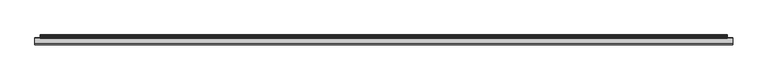
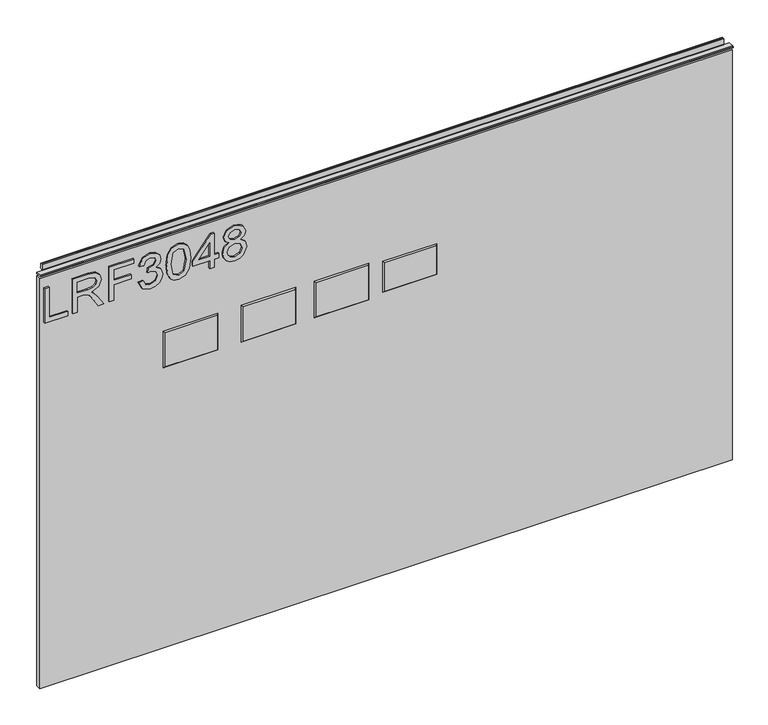
"""IFC4 building model written with IfcOpenShell, lengths in millimetres: furniture geometry."""

from ifc_helpers import new_model, si_unit, frame, origin, place, context, project, spatial, polyline, outline, extrude, faceted_brep, source, transform, mapped, element, save


def furniture_db22cfe4(model_context):
    return source(origin(), model_context, "Body", "SolidModel", [
        extrude(outline(polyline([(773.6078, -291.2164221), (773.6078, -251.347824), (781.5815196, -251.347824), (781.5815196, -283.2427025), (837.3975569, -283.2427025), (837.3975569, -291.2164221), (773.6078, -291.2164221)])), frame((0.0, -5.5495814, 0.0), z_axis=(0.0, 1.0, 0.0), x_axis=(0.0, 0.0, 1.0)), (0.0, 0.0, 1.0), 2.38125),
        extrude(outline(polyline([(773.6078, -242.3773894), (773.6078, -234.4036698), (801.5158187, -234.4036698), (801.5158187, -224.7791411), (801.2354926, -220.1537607), (799.7170596, -216.3615718), (795.58225, -212.1488938), (786.8298468, -206.1530304), (773.6078, -197.8522637), (773.6078, -188.5859294), (790.894575, -199.2227467), (799.1018996, -205.6858203), (802.5125336, -210.2177586), (808.4461023, -196.8633356), (819.9394716, -192.5416418), (829.5873609, -195.1502317), (835.6766663, -202.1272364), (837.3975569, -214.8898599), (837.3975569, -242.3773894), (773.6078, -242.3773894)]), holes=[polyline([(809.4895383, -234.4036698), (829.4238373, -234.4036698), (829.4238373, -214.5472391), (826.6672975, -203.8870612), (819.6435719, -200.5153614), (814.2317211, -202.2829731), (810.6186294, -207.4534319), (809.4895383, -216.5562427), (809.4895383, -234.4036698)])]), frame((0.0, -5.5495814, 0.0), z_axis=(0.0, 1.0, 0.0), x_axis=(0.0, 0.0, 1.0)), (0.0, 0.0, 1.0), 2.38125),
        extrude(outline(polyline([(773.6078, -178.5876325), (773.6078, -170.6139129), (802.5125336, -170.6139129), (802.5125336, -140.7124643), (810.4862532, -140.7124643), (810.4862532, -170.6139129), (829.4238373, -170.6139129), (829.4238373, -135.7288895), (837.3975569, -135.7288895), (837.3975569, -178.5876325), (773.6078, -178.5876325)])), frame((0.0, -5.5495814, 0.0), z_axis=(0.0, 1.0, 0.0), x_axis=(0.0, 0.0, 1.0)), (0.0, 0.0, 1.0), 2.38125),
        extrude(outline(polyline([(790.5519542, -127.7551699), (777.6102335, -121.4166858), (772.611085, -107.4315291), (774.0750101, -98.9088376), (778.4667854, -91.998021), (784.9610063, -87.4193617), (792.7322681, -85.8931419), (803.1043331, -88.9455815), (808.555118, -97.63569), (813.8345925, -91.0947481), (821.1853653, -88.8832868), (829.2291664, -91.2115506), (835.2094562, -97.9393765), (837.3975569, -107.5561185), (832.9590607, -120.2330868), (820.4534028, -126.758455), (819.4566878, -118.7847354), (826.9320499, -114.8757439), (829.4238373, -107.2757924), (826.9554105, -99.7692829), (820.7181552, -96.8570064), (813.6788558, -100.8750136), (811.4829682, -111.2003575), (803.5092486, -112.0880568), (804.3813742, -106.4971088), (801.11869, -97.4332322), (792.8724312, -93.8668615), (784.120028, -97.4643796), (780.5848047, -107.151203), (783.1544604, -115.3818882), (791.5486691, -119.7814503), (790.5519542, -127.7551699)])), frame((0.0, -5.5495814, 0.0), z_axis=(0.0, 1.0, 0.0), x_axis=(0.0, 0.0, 1.0)), (0.0, 0.0, 1.0), 2.38125),
        extrude(outline(polyline([(804.9887473, -78.9161373), (789.4734775, -77.3276228), (778.6848168, -72.5620794), (774.129518, -66.2703163), (772.611085, -57.9851233), (776.1073742, -46.3126568), (786.7130443, -39.3745863), (804.9887473, -37.0541093), (819.9784058, -38.5024607), (829.4160505, -42.2401418), (835.3418324, -48.6720679), (837.3975569, -57.9851233), (833.9246283, -69.6108688), (823.3423188, -76.5722998), (804.9887473, -78.9161373)]), holes=[polyline([(805.004321, -70.9424176), (825.1566514, -67.0801472), (829.4238373, -58.0785653), (824.5804256, -48.6409206), (805.004321, -45.0278289), (785.2179718, -48.76551), (780.5848047, -57.9851233), (785.2023982, -67.2047366), (805.004321, -70.9424176)])]), frame((0.0, -5.5495814, 0.0), z_axis=(0.0, 1.0, 0.0), x_axis=(0.0, 0.0, 1.0)), (0.0, 0.0, 1.0), 2.38125),
        extrude(outline(polyline([(773.6078, -4.1625158), (773.6078, 3.8112038), (788.5585243, 3.8112038), (788.5585243, 11.7849234), (796.5322439, 11.7849234), (796.5322439, 3.8112038), (836.400842, 3.8112038), (836.400842, -2.1690859), (796.5322439, -33.0672495), (788.5585243, -33.0672495), (788.5585243, -4.1625158), (773.6078, -4.1625158)]), holes=[polyline([(796.5322439, -4.1625158), (796.5322439, -23.2558366), (821.1697916, -4.1625158), (796.5322439, -4.1625158)])]), frame((0.0, -5.5495814, 0.0), z_axis=(0.0, 1.0, 0.0), x_axis=(0.0, 0.0, 1.0)), (0.0, 0.0, 1.0), 2.38125),
        extrude(outline(polyline([(808.7420021, 30.3798867), (802.9485964, 21.7832203), (792.3896474, 18.7619281), (784.6320125, 20.2024926), (778.2721145, 24.5241864), (774.0263424, 31.1975045), (772.611085, 39.6929421), (774.0205023, 48.1883797), (778.248754, 54.8616977), (792.171616, 60.6239561), (802.4891731, 57.7194664), (808.7420021, 49.2396025), (813.671069, 56.3022623), (821.1853653, 58.6305261), (832.6787346, 53.3977726), (837.3975569, 39.5839264), (832.7877503, 25.8946694), (821.4033967, 20.755358), (813.6944295, 23.1147691), (808.7420021, 30.3798867)]), holes=[polyline([(792.6699735, 26.7356477), (801.1264769, 30.1073475), (804.5059635, 39.4904843), (801.0797559, 49.1461604), (792.4207947, 52.6502364), (783.9253571, 49.2551761), (780.5848047, 39.7552367), (782.1733191, 32.7782321), (786.6663232, 28.0671966), (792.6699735, 26.7356477)]), polyline([(821.1697916, 28.7290776), (826.9943446, 31.6024199), (829.4238373, 39.6929421), (826.9398368, 47.7601037), (820.8115972, 50.6568065), (814.8936022, 47.8535457), (812.4796831, 39.7863841), (814.9091758, 31.5556989), (821.1697916, 28.7290776)])]), frame((0.0, -5.5495814, 0.0), z_axis=(0.0, 1.0, 0.0), x_axis=(0.0, 0.0, 1.0)), (0.0, 0.0, 1.0), 2.38125),
        faceted_brep([(390.652, -5.2069939, 677.1132), (300.99, -5.2069939, 677.1132), (300.99, -5.2069939, 625.0432), (390.652, -5.2069939, 625.0432), (392.938, -3.1749939, 679.3992), (392.938, -3.1749939, 622.7572), (298.704, -3.1749939, 622.7572), (298.704, -3.1749939, 679.3992)], [[[0, 1, 2, 3]], [[4, 5, 6, 7]], [[4, 7, 1, 0]], [[7, 6, 2, 1]], [[6, 5, 3, 2]], [[5, 4, 0, 3]]]),
        faceted_brep([(272.4023, -5.2069939, 682.5742), (181.7243, -5.2069939, 682.5742), (181.7243, -5.2069939, 619.5822), (272.4023, -5.2069939, 619.5822), (274.6883, -3.1749939, 684.8602), (274.6883, -3.1749939, 617.2962), (179.4383, -3.1749939, 617.2962), (179.4383, -3.1749939, 684.8602)], [[[0, 1, 2, 3]], [[4, 5, 6, 7]], [[4, 7, 1, 0]], [[7, 6, 2, 1]], [[6, 5, 3, 2]], [[5, 4, 0, 3]]]),
        faceted_brep([(145.4023, -5.2069939, 682.5742), (54.7243, -5.2069939, 682.5742), (54.7243, -5.2069939, 619.5822), (145.4023, -5.2069939, 619.5822), (147.6883, -3.1749939, 684.8602), (147.6883, -3.1749939, 617.2962), (52.4383, -3.1749939, 617.2962), (52.4383, -3.1749939, 684.8602)], [[[0, 1, 2, 3]], [[4, 5, 6, 7]], [[4, 7, 1, 0]], [[7, 6, 2, 1]], [[6, 5, 3, 2]], [[5, 4, 0, 3]]]),
        faceted_brep([(9.6647, -5.2069939, 682.5742), (-81.0133, -5.2069939, 682.5742), (-81.0133, -5.2069939, 619.5822), (9.6647, -5.2069939, 619.5822), (11.9507, -3.1749939, 684.8602), (11.9507, -3.1749939, 617.2962), (-83.2993, -3.1749939, 617.2962), (-83.2993, -3.1749939, 684.8602)], [[[0, 1, 2, 3]], [[4, 5, 6, 7]], [[4, 7, 1, 0]], [[7, 6, 2, 1]], [[6, 5, 3, 2]], [[5, 4, 0, 3]]]),
        extrude(outline(polyline([(-298.196, 6.3500061), (907.288, 6.3500061), (907.288, -3.1749939), (-298.196, -3.1749939), (-298.196, 6.3500061)])), frame((0.0, 0.0, 101.6), z_axis=(0.0, 0.0, 1.0), x_axis=(1.0, 0.0, 0.0)), (0.0, 0.0, 1.0), 754.5578),
        extrude(outline(polyline([(5.5562561, 863.6), (6.3500061, 863.6), (6.3500061, 873.47425), (7.1437561, 874.268), (8.6677569, 874.268), (10.0084363, 873.8506926), (10.875413, 872.7461816), (10.9623604, 871.3447591), (10.2390011, 868.3863459), (10.4046103, 867.1833307), (11.6746103, 864.9836103), (10.7786383, 864.4663244), (7.1437561, 864.4663244), (7.1437561, 863.6), (6.3500061, 863.3669239), (6.3500061, 856.1578), (5.5562561, 856.1578), (5.5562561, 863.6)])), frame((-288.671, 0.0, 0.0), z_axis=(1.0, 0.0, 0.0), x_axis=(0.0, 1.0, 0.0)), (0.0, 0.0, 1.0), 1186.434),
        extrude(outline(polyline([(5.5562561, 863.6), (5.5562561, 860.4249996), (-3.975094, 860.4249996), (-5.3492339, 861.2183657), (-5.3492339, 862.8066395), (-3.9751037, 863.6), (5.5562561, 863.6)])), frame((-298.196, 0.0, 0.0), z_axis=(1.0, 0.0, 0.0), x_axis=(0.0, 1.0, 0.0)), (0.0, 0.0, 1.0), 1205.484),
    ])


if __name__ == "__main__":
    model = new_model("IFC4")
    model_context = context("Model", 3, world=origin())
    ifc_project = project(units=[si_unit("LENGTHUNIT", "METRE", prefix="MILLI")], contexts=[model_context])
    site = spatial("IfcSite", under=ifc_project)
    building = spatial("IfcBuilding", under=site)
    placement = place(None, origin())
    furniture_shape = furniture_db22cfe4(model_context)
    element("IfcFurniture", 1, at=placement, inside=building, context=model_context, shape_type="MappedRepresentation", body=[
        mapped(furniture_shape, transform((0.0, 0.0, 0.0), x_axis=(1.0, 0.0, 0.0), y_axis=(0.0, 1.0, 0.0), z_axis=(0.0, 0.0, 1.0))),
    ])
    save(model, "model.ifc")
